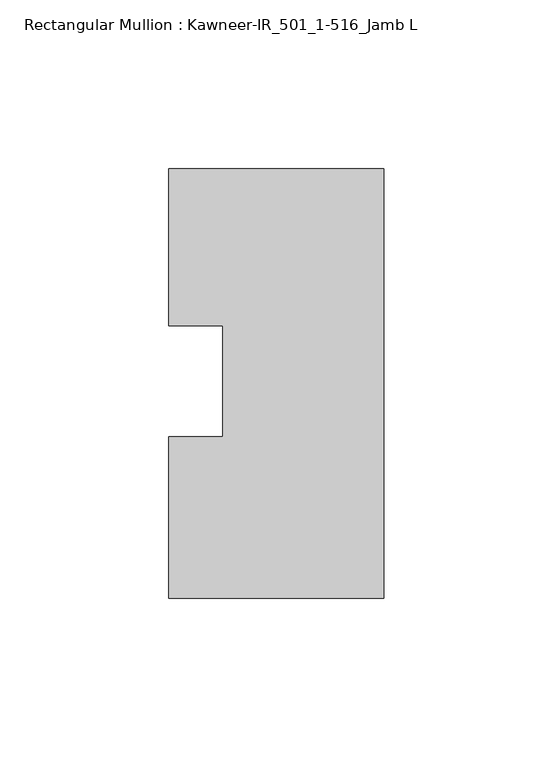
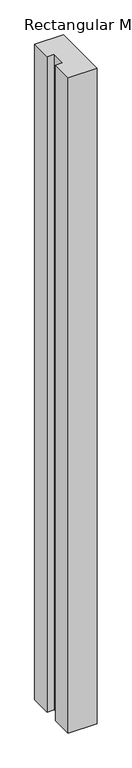
"""IFC4 building model written with IfcOpenShell, lengths in millimetres: member geometry, Rectangular Mullion : Kawneer-IR_501_1-516_Jamb L."""

from ifc_helpers import new_model, si_unit, frame, origin, place, context, project, spatial, polyline, outline, extrude, source, transform, mapped, element, save


def rectangular_mullion_kawneer_ir_501_1_516_jamb_l_3f6b92c6(model_context):
    return source(origin(), model_context, "Body", "SweptSolid", [
        extrude(outline(polyline([(-63.6202663, -39.6875), (-63.6202663, 8.0616666), (-47.7452847, 8.0616666), (-47.7452847, 40.9893252), (-63.6202663, 40.9893252), (-63.6202663, 87.3125), (0.0, 87.3125), (0.0, -39.6875), (-63.6202663, -39.6875)])), frame((0.0, 0.0, -1524.0), z_axis=(0.0, 0.0, 1.0), x_axis=(1.0, 0.0, 0.0)), (0.0, 0.0, 1.0), 1524.0),
    ])


if __name__ == "__main__":
    model = new_model("IFC4")
    model_context = context("Model", 3, world=origin())
    ifc_project = project(units=[si_unit("LENGTHUNIT", "METRE", prefix="MILLI")], contexts=[model_context])
    site = spatial("IfcSite", under=ifc_project)
    building = spatial("IfcBuilding", under=site)
    placement = place(None, origin())
    rectangular_mullion_kawneer_ir_501_1_516_jamb_l_shape = rectangular_mullion_kawneer_ir_501_1_516_jamb_l_3f6b92c6(model_context)
    element("IfcMember", 1, ObjectType="Rectangular Mullion : Kawneer-IR_501_1-516_Jamb L", at=placement, inside=building, context=model_context, shape_type="MappedRepresentation", body=[
        mapped(rectangular_mullion_kawneer_ir_501_1_516_jamb_l_shape, transform((0.0, 0.0, 0.0), x_axis=(1.0, 0.0, 0.0), y_axis=(0.0, 1.0, 0.0), z_axis=(0.0, 0.0, 1.0))),
    ])
    save(model, "model.ifc")
